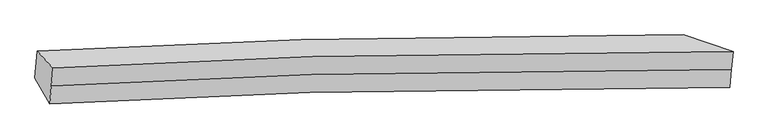
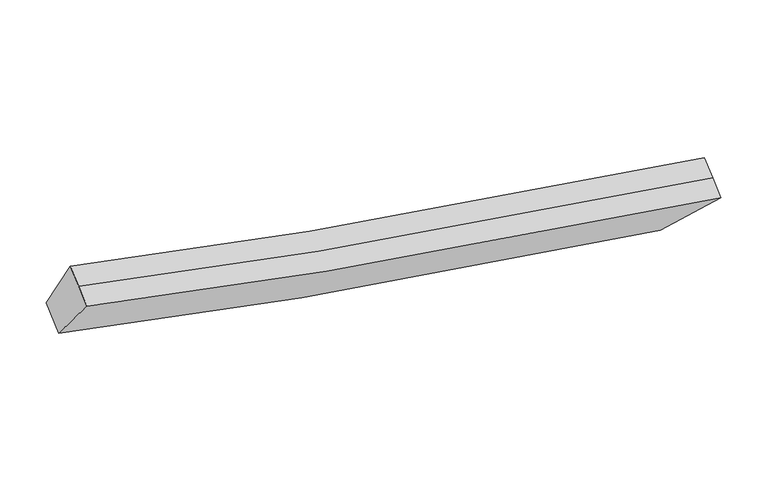
"""IFC4 building model written with IfcOpenShell, lengths in millimetres: proxy geometry."""

from ifc_helpers import new_model, si_unit, frame, origin, place, context, project, spatial, source, transform, mapped, element, save
from ifc_brep_helpers import plane_surface, spline_curve, spline_surface, advanced_brep


def generic_models_358d647b(model_context):
    return source(origin(), model_context, "Body", "AdvancedBrep", [
        advanced_brep(
        [(-4064.742338, -1839.3672802, 3792.7083902), (-3841.2295952, -2081.8269985, 4450.4327428), (5876.0908592, -1844.6293492, 2636.3186866), (5162.6022755, -1603.1994227, 2054.2281435), (-3864.1306171, -2339.1486037, 4293.7753769), (5853.3510215, -2100.139848, 2480.7639221), (-3887.031639, -2596.4702089, 4137.1180109), (5830.6111839, -2355.6503468, 2325.2091576), (-4099.062331, -2224.9952999, 3557.9380928), (5128.5136648, -1986.2275718, 1821.040647)],
        [
            (0, 1),
            (1, 2, spline_curve(3, [(-3841.2295952, -2081.8269985, 4450.4327428), (-2631.120357312, -2012.042135002, 4141.107465098), (-1392.843108104, -1957.490237908, 3859.519236106), (1808.669636897, -1858.093872233, 3217.795655843), (3809.499206118, -1833.57988618, 2894.679199099), (5876.0908592, -1844.6293492, 2636.3186866)], [4, 2, 4], [0.0, 12.520691985579187, 31.65170752407938])),
            (2, 3),
            (3, 0, spline_curve(3, [(5162.6022755, -1603.1994227, 2054.2281435), (3403.199401243, -1588.237716105, 2260.017912816), (1583.553824362, -1611.078704445, 2553.128228179), (-1526.666532606, -1711.411911075, 3182.539996883), (-2782.802494105, -1767.293541971, 3468.923097626), (-4064.742338, -1839.3672802, 3792.7083902)], [4, 2, 4], [0.0, 19.131015538500193, 31.65170752407938])),
            (1, 4),
            (4, 5, spline_curve(3, [(-3864.1306171, -2339.1486037, 4293.7753769), (-2654.035288828, -2269.52003477, 3984.354946843), (-1415.758039777, -2214.968137986, 3702.766718143), (1785.789868714, -2115.176666372, 3061.283677721), (3786.673165914, -2090.058978316, 2738.534755105), (5853.3510215, -2100.139848, 2480.7639221)], [4, 2, 4], [0.0, 12.842424224013994, 32.46503115856657])),
            (5, 2),
            (4, 6),
            (6, 7, spline_curve(3, [(-3887.031639, -2596.4702089, 4137.1180109), (-2676.95022073, -2526.997934617, 3827.602428809), (-1438.672971557, -2472.446037584, 3546.014199881), (1762.910100442, -2372.259461243, 2904.771700057), (3763.847125845, -2346.538070894, 2582.390310891), (5830.6111839, -2355.6503468, 2325.2091576)], [4, 2, 4], [0.0, 12.842433919721339, 32.465055668848706])),
            (7, 5),
            (6, 8),
            (8, 9, spline_curve(3, [(-4099.062331, -2224.9952999, 3557.9380928), (-2817.142454642, -2153.145924804, 3234.016207762), (-1561.006493498, -2097.264294424, 2947.633107127), (1549.264341342, -1996.363907274, 2318.566637332), (3368.987045757, -1972.656295717, 2025.983922526), (5128.5136648, -1986.2275718, 1821.040647)], [4, 2, 4], [0.0, 12.520709249512226, 31.651751166472298])),
            (9, 7),
            (8, 0),
            (3, 9),
        ],
        [
            spline_surface(3, 3, [[(-4064.742338, -1839.3672802, 3792.7083902), (-2782.802494007, -1767.293541908, 3468.923097602), (-1526.666532805, -1711.411911167, 3182.539997086), (1583.553824665, -1611.078704304, 2553.128227867), (3403.199401329, -1588.237715871, 2260.017912824), (5162.6022755, -1603.1994227, 2054.2281435)], [(-3990.238090431, -1920.187186286, 4011.94984106), (-2732.241781758, -1848.876406216, 3692.984553386), (-1482.05872459, -1793.438020072, 3408.199743478), (1658.592428773, -1693.417093565, 2774.684037152), (3538.632669576, -1670.018439222, 2471.571674898), (5400.431803386, -1683.676064845, 2248.258324549)], [(-3915.733842769, -2001.007092414, 4231.19129194), (-2681.681069418, -1930.459270565, 3917.04600919), (-1437.450916377, -1875.46412905, 3633.859489823), (1733.631032879, -1775.7554829, 2996.23984639), (3674.065937864, -1751.799162638, 2683.125436924), (5638.261331314, -1764.152707055, 2442.288505551)], [(-3841.2295952, -2081.8269985, 4450.4327428), (-2631.120357169, -2012.042134874, 4141.107464975), (-1392.843108162, -1957.490237955, 3859.519236215), (1808.669636986, -1858.093872161, 3217.795655675), (3809.499206111, -1833.579885989, 2894.679198998), (5876.0908592, -1844.6293492, 2636.3186866)]], [4, 4], [4, 2, 4], [0.0, 2.4301949675895766], [0.0, 12.520691985579187, 31.65170752407938]),
            spline_surface(3, 3, [[(-3841.2295952, -2081.8269985, 4450.4327428), (-2631.120357169, -2012.042134874, 4141.107464975), (-1392.843108162, -1957.490237955, 3859.519236215), (1808.669636986, -1858.093872161, 3217.795655675), (3809.499206111, -1833.579885989, 2894.679198998), (5876.0908592, -1844.6293492, 2636.3186866)], [(-3848.863269157, -2167.60086691, 4398.213620827), (-2638.758667747, -2097.868101511, 4088.856625606), (-1400.48141874, -2043.316204592, 3807.268396847), (1801.043047563, -1943.788136983, 3165.624996359), (3801.890526047, -1919.072916766, 2842.631050946), (5868.510913322, -1929.799515478, 2584.467098421)], [(-3856.496943143, -2253.37473529, 4345.994498873), (-2646.396978353, -2183.69406812, 4036.605786256), (-1408.119729246, -2129.142171201, 3755.017557497), (1793.416458211, -2029.482401776, 3113.45433706), (3794.281845916, -2004.565947511, 2790.582902931), (5860.930967378, -2014.969681722, 2532.615510279)], [(-3864.1306171, -2339.1486037, 4293.7753769), (-2654.035288931, -2269.520034757, 3984.354946888), (-1415.758039824, -2214.968137838, 3702.766718129), (1785.789868787, -2115.176666598, 3061.283677743), (3786.673165852, -2090.058978289, 2738.534754879), (5853.3510215, -2100.139848, 2480.7639221)]], [4, 4], [4, 2, 4], [0.0, 0.9906258798257724], [0.0, 12.842424224013994, 32.46503115856657]),
            spline_surface(3, 3, [[(-3864.1306171, -2339.1486037, 4293.7753769), (-2654.035288931, -2269.520034757, 3984.354946888), (-1415.758039824, -2214.968137838, 3702.766718129), (1785.789868787, -2115.176666598, 3061.283677743), (3786.673165852, -2090.058978289, 2738.534754879), (5853.3510215, -2100.139848, 2480.7639221)], [(-3871.764291057, -2424.92247211, 4241.556254927), (-2661.673599509, -2355.346001394, 3932.10410752), (-1423.396350402, -2300.794104475, 3650.51587876), (1778.163279363, -2200.87093142, 3009.113018426), (3779.064485788, -2175.552009066, 2686.486606826), (5845.771075622, -2185.310014278, 2428.912333921)], [(-3879.397965043, -2510.69634049, 4189.337132873), (-2669.311910115, -2441.171968003, 3879.85326807), (-1431.034661008, -2386.620071084, 3598.26503941), (1770.536689911, -2286.565196212, 2956.942359127), (3771.455805757, -2261.045039811, 2634.438458811), (5838.191129778, -2270.480180522, 2377.060745779)], [(-3887.031639, -2596.4702089, 4137.1180109), (-2676.950220693, -2526.99793464, 3827.602428702), (-1438.672971586, -2472.446037721, 3546.014200042), (1762.910100487, -2372.259461034, 2904.77169981), (3763.847125693, -2346.538070588, 2582.390310759), (5830.6111839, -2355.6503468, 2325.2091576)]], [4, 4], [4, 2, 4], [0.0, 0.9906258798257794], [0.0, 12.842433919721339, 32.465055668848706]),
            spline_surface(3, 3, [[(-3887.031639, -2596.4702089, 4137.1180109), (-2676.950220693, -2526.99793464, 3827.602428702), (-1438.672971586, -2472.446037721, 3546.014200042), (1762.910100487, -2372.259461034, 2904.77169981), (3763.847125693, -2346.538070588, 2582.390310759), (5830.6111839, -2355.6503468, 2325.2091576)], [(-3957.708536352, -2472.64523923, 3944.058038179), (-2723.680965422, -2402.380598087, 3629.740355046), (-1479.450812281, -2347.385456572, 3346.553835779), (1691.694847485, -2246.960943211, 2709.370012229), (3632.227098989, -2221.910812248, 2396.921514633), (5596.578677543, -2232.509421791, 2157.152987425)], [(-4028.385433648, -2348.82026957, 3750.998065521), (-2770.411710095, -2277.763261544, 3431.878281454), (-1520.228652927, -2222.324875399, 3147.093471546), (1620.479594532, -2121.662425363, 2513.968324676), (3500.607072255, -2097.283553936, 2211.452718433), (5362.546171157, -2109.368496809, 1989.096817175)], [(-4099.062331, -2224.9952999, 3557.9380928), (-2817.142454824, -2153.145924991, 3234.016207798), (-1561.006493622, -2097.26429425, 2947.633107283), (1549.26434153, -1996.36390754, 2318.566637094), (3368.98704555, -1972.656295595, 2025.983922307), (5128.5136648, -1986.2275718, 1821.040647)]], [4, 4], [4, 2, 4], [0.0, 2.3789066961771645], [0.0, 12.520709249512226, 31.651751166472298]),
            spline_surface(3, 3, [[(-4099.062331, -2224.9952999, 3557.9380928), (-2817.142454824, -2153.145924991, 3234.016207798), (-1561.006493622, -2097.26429425, 2947.633107283), (1549.26434153, -1996.36390754, 2318.566637094), (3368.98704555, -1972.656295595, 2025.983922307), (5128.5136648, -1986.2275718, 1821.040647)], [(-4087.622333303, -2096.452626664, 3636.194858606), (-2805.695801188, -2024.528463961, 3312.318504406), (-1549.559839986, -1968.64683322, 3025.93540389), (1560.694169272, -1867.935506458, 2396.753834025), (3380.391164135, -1844.516769029, 2103.995252464), (5139.876535026, -1858.551522109, 1898.769812484)], [(-4076.182335697, -1967.909953436, 3714.451624394), (-2794.249147643, -1895.911002938, 3390.620800994), (-1538.113186441, -1840.029372197, 3104.237700479), (1572.123996923, -1739.507105385, 2474.941030937), (3391.795282743, -1716.377242437, 2182.006582667), (5151.239405274, -1730.875472391, 1976.498978016)], [(-4064.742338, -1839.3672802, 3792.7083902), (-2782.802494007, -1767.293541908, 3468.923097602), (-1526.666532805, -1711.411911167, 3182.539997086), (1583.553824665, -1611.078704304, 2553.128227867), (3403.199401329, -1588.237715871, 2260.017912824), (5162.6022755, -1603.1994227, 2054.2281435)]], [4, 4], [4, 2, 4], [0.0, 1.484612543136194], [0.0, 12.199362011186688, 30.839400793756052]),
            plane_surface(frame((5499.4544958, -1947.4266726, 2209.1991587), z_axis=(0.6605880156200102, 0.34663086593048625, -0.665935820033356), x_axis=(-0.7469122543301712, 0.3930029521574888, -0.5363494792827902))),
            plane_surface(frame((-3973.0164758, -2185.6649469, 3984.5493092), z_axis=(-0.9526446379933804, -0.0917218846220923, 0.2899229028273432), x_axis=(-0.07579945877534781, -0.8517016627785604, -0.5185158817910979))),
        ],
        [
            (0, [[1, 2, 3, 4]]),
            (1, [[5, 6, 7, -2]]),
            (2, [[8, 9, 10, -6]]),
            (3, [[11, 12, 13, -9]]),
            (4, [[14, -4, 15, -12]]),
            (5, [[-13, -15, -3, -7, -10]]),
            (6, [[-14, -11, -8, -5, -1]]),
        ],
    ),
    ])


if __name__ == "__main__":
    model = new_model("IFC4")
    model_context = context("Model", 3, world=origin())
    ifc_project = project(units=[si_unit("LENGTHUNIT", "METRE", prefix="MILLI")], contexts=[model_context])
    site = spatial("IfcSite", under=ifc_project)
    building = spatial("IfcBuilding", under=site)
    placement = place(None, origin())
    generic_models_shape = generic_models_358d647b(model_context)
    element("IfcBuildingElementProxy", 1, Name="Generic Models", at=placement, inside=building, context=model_context, shape_type="MappedRepresentation", body=[
        mapped(generic_models_shape, transform((0.0, 0.0, 0.0), x_axis=(1.0, 0.0, 0.0), y_axis=(0.0, 1.0, 0.0), z_axis=(0.0, 0.0, 1.0))),
    ])
    save(model, "model.ifc")
